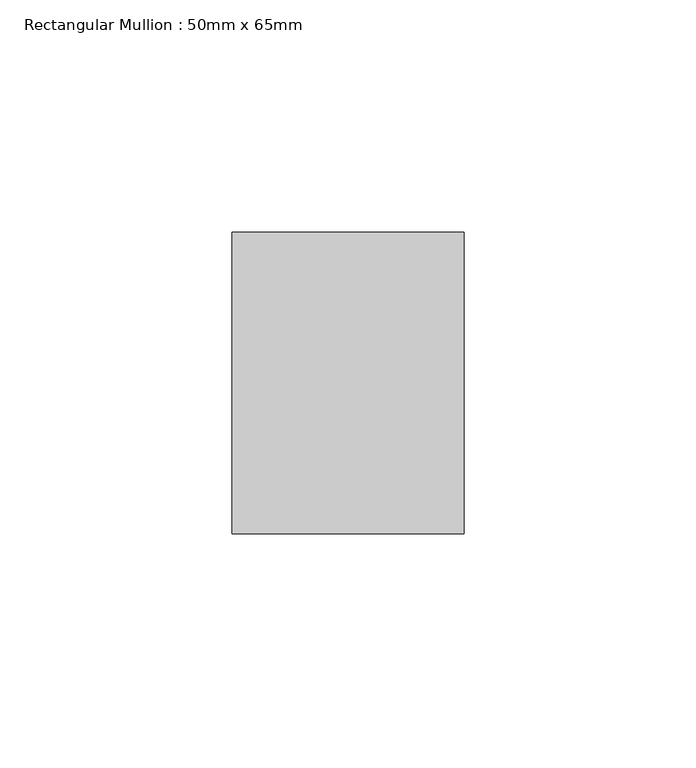
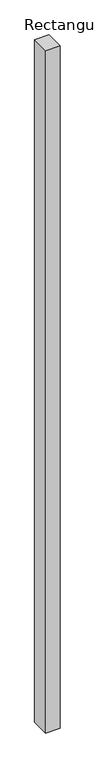
"""IFC4 building model written with IfcOpenShell, lengths in millimetres: member geometry, Rectangular Mullion : 50mm x 65mm."""

from ifc_helpers import new_model, si_unit, frame, origin, place, context, project, spatial, polyline, outline, extrude, source, transform, mapped, element, save


def rectangular_mullion_50mm_x_65mm_a710cc98(model_context):
    return source(origin(), model_context, "Body", "SweptSolid", [
        extrude(outline(polyline([(25.0, 32.5), (25.0, -32.5), (-25.0, -32.5), (-25.0, 32.5), (25.0, 32.5)])), frame((0.0, 0.0, -2478.025773), z_axis=(0.0, 0.0, 1.0), x_axis=(1.0, 0.0, 0.0)), (0.0, 0.0, 1.0), 2478.025773),
    ])


if __name__ == "__main__":
    model = new_model("IFC4")
    model_context = context("Model", 3, world=origin())
    ifc_project = project(units=[si_unit("LENGTHUNIT", "METRE", prefix="MILLI")], contexts=[model_context])
    site = spatial("IfcSite", under=ifc_project)
    building = spatial("IfcBuilding", under=site)
    placement = place(None, origin())
    rectangular_mullion_50mm_x_65mm_shape = rectangular_mullion_50mm_x_65mm_a710cc98(model_context)
    element("IfcMember", 1, ObjectType="Rectangular Mullion : 50mm x 65mm", at=placement, inside=building, context=model_context, shape_type="MappedRepresentation", body=[
        mapped(rectangular_mullion_50mm_x_65mm_shape, transform((0.0, 0.0, 0.0), x_axis=(1.0, 0.0, 0.0), y_axis=(0.0, 1.0, 0.0), z_axis=(0.0, 0.0, 1.0))),
    ])
    save(model, "model.ifc")
